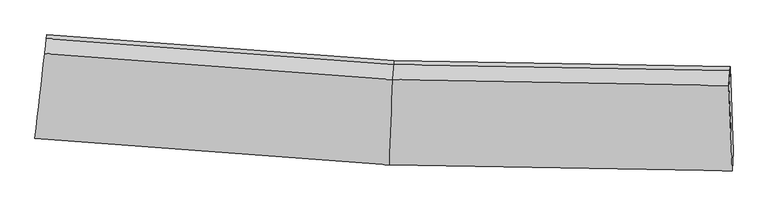
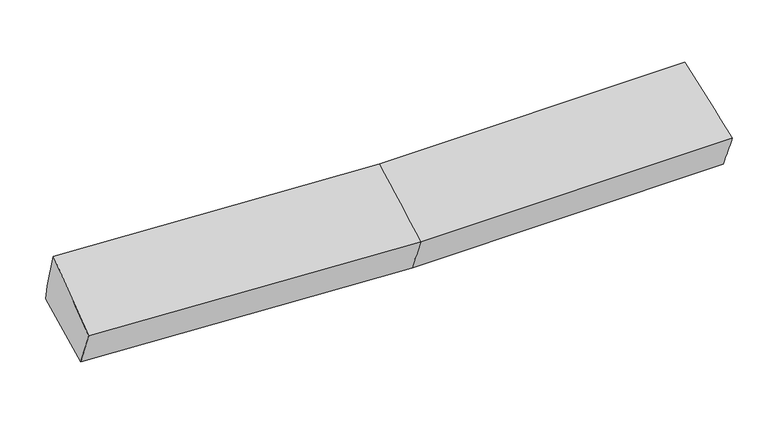
"""IFC4 building model written with IfcOpenShell, lengths in millimetres: proxy geometry."""

from ifc_helpers import new_model, si_unit, frame, origin, place, context, project, spatial, source, transform, mapped, element, save
from ifc_brep_helpers import plane_surface, spline_surface, advanced_brep


def generic_models_3d4fda1d(model_context):
    return source(origin(), model_context, "Body", "AdvancedBrep", [
        advanced_brep(
        [(-2858.7235108, -1933.6587818, 2034.924453), (-2841.0312035, -1779.6070268, 1692.3244992), (13.0773913, -1993.819614, 1715.914594), (0.8297323, -2148.3021447, 2058.5584789), (-2762.693951, -1095.806786, 1847.6601778), (40.7571602, -1306.0113986, 1870.8415338), (-2766.3418267, -1127.4981099, 1989.007611), (37.1092844, -1337.7027225, 2012.188967), (-2780.0312377, -1246.5981325, 2350.1310367), (26.1079439, -1457.0154228, 2373.3340819), (2753.8661671, -1385.2199375, 2056.2716218), (2745.4699154, -1504.5582913, 2417.4782167), (2771.9568548, -2196.3547677, 2103.9242705), (2778.9279436, -2041.8202763, 1761.1558587), (2757.5140428, -1353.5286136, 1914.9241886)],
        [
            (0, 1),
            (1, 2),
            (2, 3),
            (3, 0),
            (1, 4),
            (4, 5),
            (5, 1),
            (4, 6),
            (6, 7),
            (7, 5),
            (6, 8),
            (8, 9),
            (9, 7),
            (8, 0),
            (3, 9),
            (10, 11),
            (11, 12),
            (12, 13),
            (13, 14),
            (14, 10),
            (5, 2),
            (9, 11),
            (10, 7),
            (3, 12),
            (2, 13),
            (5, 14),
        ],
        [
            spline_surface(1, 1, [[(-2858.7235108, -1933.6587818, 2034.924453), (0.8297323, -2148.3021447, 2058.5584789)], [(-2841.0312035, -1779.6070268, 1692.3244992), (13.0773913, -1993.819614, 1715.914594)]], [2, 2], [2, 2], [0.0, 1.0], [0.0, 1.0]),
            plane_surface(frame((-2801.8625772, -1437.7069064, 1769.9923385), z_axis=(0.024470893739650706, 0.21878845816026202, -0.975465420163851), x_axis=(0.11102471347550015, 0.9691267358638816, 0.22015195395794573))),
            plane_surface(frame((-2764.5178888, -1111.652448, 1918.3338944), z_axis=(0.07113050875335762, 0.9729097618952282, 0.21997055696947157), x_axis=(-0.02517468595817096, -0.21870786761031083, 0.9754655831100646))),
            spline_surface(1, 1, [[(-2766.3418267, -1127.4981099, 1989.007611), (37.1092844, -1337.7027225, 2012.188967)], [(-2780.0312377, -1246.5981325, 2350.1310367), (26.1079439, -1457.0154228, 2373.3340819)]], [2, 2], [2, 2], [0.0, 1.0], [0.0, 1.0]),
            spline_surface(1, 1, [[(-2780.0312377, -1246.5981325, 2350.1310367), (26.1079439, -1457.0154228, 2373.3340819)], [(-2858.7235108, -1933.6587818, 2034.924453), (0.8297323, -2148.3021447, 2058.5584789)]], [2, 2], [2, 2], [0.0, 1.0], [0.0, 1.0]),
            plane_surface(frame((2761.5469848, -1696.2963773, 2050.7508312), z_axis=(0.9992222784859336, 0.024118256289036646, 0.03119531841407823), x_axis=(-0.022066204911459948, -0.3136333530105807, 0.9492877342935312))),
            plane_surface(frame((-2801.7643459, -1436.6337674, 1982.8095555), z_axis=(-0.993498740907391, 0.113843043174058, -0.00011548289305848836), x_axis=(0.10354246452856491, 0.9040271700486405, 0.4147455049222323))),
            plane_surface(frame((-2841.0312035, -1779.6070268, 1692.3244992), z_axis=(0.02447982347537148, 0.21873827889887992, -0.9754764495296494), x_axis=(0.03922959138508438, 0.9748071014805175, 0.21957266237606057))),
            spline_surface(1, 1, [[(37.1092844, -1337.7027225, 2012.188967), (2753.8661671, -1385.2199375, 2056.2716218)], [(26.1079439, -1457.0154228, 2373.3340819), (2745.4699154, -1504.5582913, 2417.4782167)]], [2, 2], [2, 2], [0.0, 1.0], [0.0, 1.0]),
            spline_surface(1, 1, [[(26.1079439, -1457.0154228, 2373.3340819), (2745.4699154, -1504.5582913, 2417.4782167)], [(0.8297323, -2148.3021447, 2058.5584789), (2771.9568548, -2196.3547677, 2103.9242705)]], [2, 2], [2, 2], [0.0, 1.0], [0.0, 1.0]),
            spline_surface(1, 1, [[(0.8297323, -2148.3021447, 2058.5584789), (2771.9568548, -2196.3547677, 2103.9242705)], [(13.0773913, -1993.819614, 1715.914594), (2778.9279436, -2041.8202763, 1761.1558587)]], [2, 2], [2, 2], [0.0, 1.0], [0.0, 1.0]),
            spline_surface(1, 1, [[(13.0773913, -1993.819614, 1715.914594), (2778.9279436, -2041.8202763, 1761.1558587)], [(40.7571602, -1306.0113986, 1870.8415338), (2757.5140428, -1353.5286136, 1914.9241886)]], [2, 2], [2, 2], [0.0, 1.0], [0.0, 1.0]),
            plane_surface(frame((38.9332223, -1321.8570606, 1941.5152504), z_axis=(0.013508864321774481, 0.9756113175257267, 0.21908917750644685), x_axis=(-0.025174685958292954, -0.2187078676102508, 0.9754655831100748))),
        ],
        [
            (0, [[1, 2, 3, 4]]),
            (1, [[5, 6, 7]]),
            (2, [[8, 9, 10, -6]]),
            (3, [[11, 12, 13, -9]]),
            (4, [[14, -4, 15, -12]]),
            (5, [[16, 17, 18, 19, 20]]),
            (6, [[-14, -11, -8, -5, -1]]),
            (7, [[21, -2, -7]]),
            (8, [[-13, 22, -16, 23]]),
            (9, [[-15, 24, -17, -22]]),
            (10, [[-3, 25, -18, -24]]),
            (11, [[-21, 26, -19, -25]]),
            (12, [[-10, -23, -20, -26]]),
        ],
    ),
    ])


if __name__ == "__main__":
    model = new_model("IFC4")
    model_context = context("Model", 3, world=origin())
    ifc_project = project(units=[si_unit("LENGTHUNIT", "METRE", prefix="MILLI")], contexts=[model_context])
    site = spatial("IfcSite", under=ifc_project)
    building = spatial("IfcBuilding", under=site)
    placement = place(None, origin())
    generic_models_shape = generic_models_3d4fda1d(model_context)
    element("IfcBuildingElementProxy", 1, Name="Generic Models", at=placement, inside=building, context=model_context, shape_type="MappedRepresentation", body=[
        mapped(generic_models_shape, transform((0.0, 0.0, 0.0), x_axis=(1.0, 0.0, 0.0), y_axis=(0.0, 1.0, 0.0), z_axis=(0.0, 0.0, 1.0))),
    ])
    save(model, "model.ifc")
